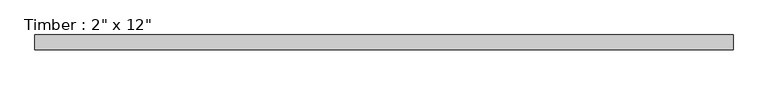
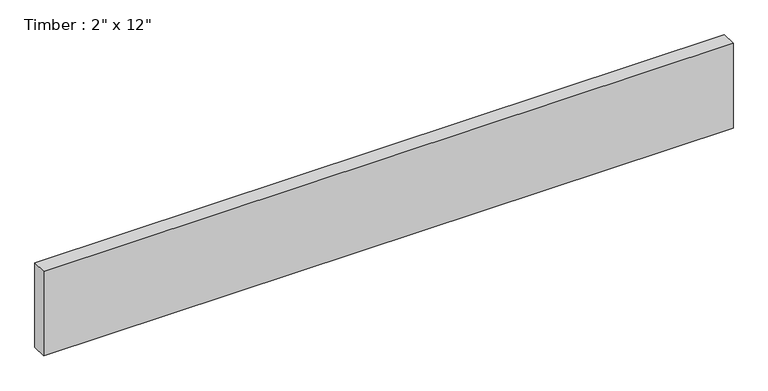
"""IFC4 building model written with IfcOpenShell, lengths in millimetres: beam geometry."""

from ifc_helpers import new_model, si_unit, frame, origin, place, context, project, spatial, polyline, outline, extrude, source, transform, mapped, element, save


def beam_3d25981b(model_context):
    return source(origin(), model_context, "Body", "SweptSolid", [
        extrude(outline(polyline([(1162.2133523, 25.4), (1162.2133523, -25.4), (-1189.0507261, -25.4), (-1189.0507261, 25.4), (1162.2133523, 25.4)])), frame((0.0, 0.0, -152.4), z_axis=(0.0, 0.0, 1.0), x_axis=(1.0, 0.0, 0.0)), (0.0, 0.0, 1.0), 304.8),
    ])


if __name__ == "__main__":
    model = new_model("IFC4")
    model_context = context("Model", 3, world=origin())
    ifc_project = project(units=[si_unit("LENGTHUNIT", "METRE", prefix="MILLI")], contexts=[model_context])
    site = spatial("IfcSite", under=ifc_project)
    building = spatial("IfcBuilding", under=site)
    placement = place(None, origin())
    beam_shape = beam_3d25981b(model_context)
    element("IfcBeam", 1, ObjectType="Timber : 2\" x 12\"", at=placement, inside=building, context=model_context, shape_type="MappedRepresentation", body=[
        mapped(beam_shape, transform((0.0, 0.0, 0.0), x_axis=(1.0, 0.0, 0.0), y_axis=(0.0, 1.0, 0.0), z_axis=(0.0, 0.0, 1.0))),
    ])
    save(model, "model.ifc")
